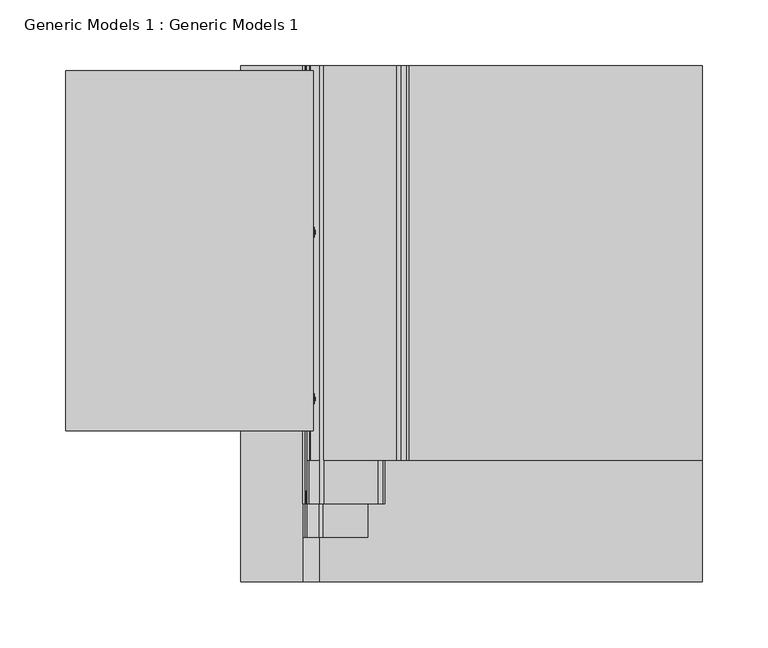
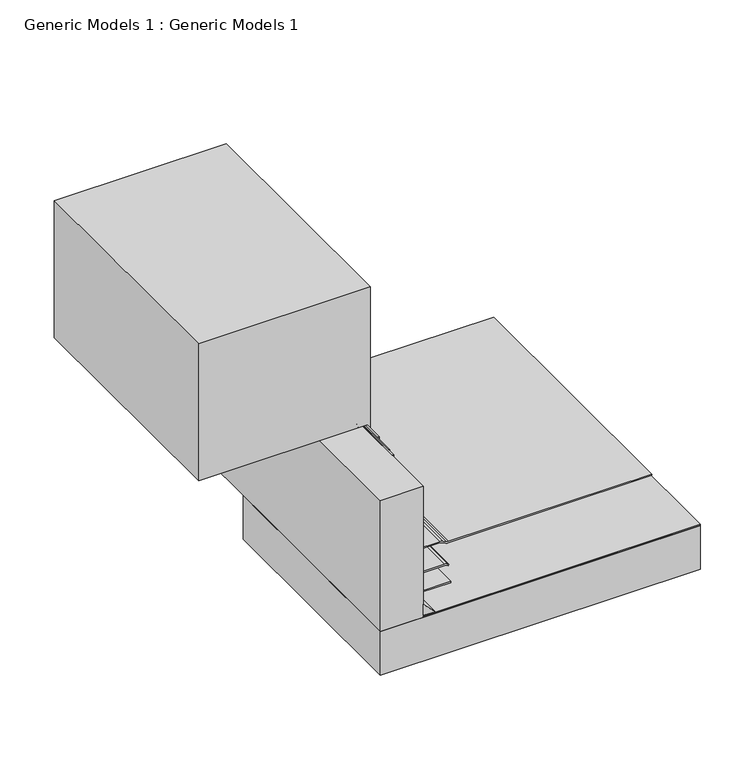
"""IFC4 building model written with IfcOpenShell, lengths in millimetres: proxy geometry, Generic Models 1 : Generic Models 1."""

import ifcopenshell
import ifcopenshell.guid

model = None  # the IFC model being written
_history = None  # IfcOwnerHistory: only IFC2X3 demands one
_inside = {}  # id of a spatial element -> (the spatial element, [elements in it])
_under = {}  # id of a project, library or spatial element -> (it, [spatial elements below it])
_declared = {}  # id of a project -> (the project, [libraries it declares])
_typed = {}  # id of a type object -> (the type object, [elements of that type])
_made_of = {}  # id of a material, layer set ... -> (it, [elements and type objects made of it])


def new_model(schema):
    """Start an empty IFC model of exactly this schema.

    Asked for "IFC4X3", IfcOpenShell would pick the latest addendum, in which some entities
    have other attributes; the version numbers below select the first issue.
    IFC2X3 requires an IfcOwnerHistory on every rooted entity: one is made here for all.
    """
    global model, _history
    if schema == "IFC4X3":
        model = ifcopenshell.file(schema_version=(4, 3, 0, 0))
    else:
        model = ifcopenshell.file(schema=schema)
    _inside.clear()
    _under.clear()
    _declared.clear()
    _typed.clear()
    _made_of.clear()
    _history = None
    if model.schema == "IFC2X3":
        org = make("IfcOrganization", Name="unknown")
        user = make(
            "IfcPersonAndOrganization",
            ThePerson=make("IfcPerson", FamilyName="unknown"),
            TheOrganization=org,
        )
        app = make(
            "IfcApplication",
            ApplicationDeveloper=org,
            Version="unknown",
            ApplicationFullName="unknown",
            ApplicationIdentifier="unknown",
        )
        _history = make(
            "IfcOwnerHistory",
            OwningUser=user,
            OwningApplication=app,
            ChangeAction="ADDED",
            CreationDate=0,
        )
    return model


def make(cls, **values):
    """One entity of the class cls with the attributes given. An attribute that is None is left unset."""
    return model.create_entity(
        cls, **{name: value for name, value in values.items() if value is not None}
    )


def rooted(cls, **values):
    """An entity with a GlobalId (a new one), such as an element, a storey or a relation."""
    return make(cls, GlobalId=ifcopenshell.guid.new(), OwnerHistory=_history, **values)


def si_unit(unit_type, name, prefix=None):
    """IfcSIUnit, for example si_unit("LENGTHUNIT", "METRE", prefix="MILLI")."""
    return make("IfcSIUnit", UnitType=unit_type, Prefix=prefix, Name=name)


def assignment(units):
    """IfcUnitAssignment: the units of a project."""
    return None if units is None else make("IfcUnitAssignment", Units=units)


def point(xyz):
    """IfcCartesianPoint."""
    return None if xyz is None else make("IfcCartesianPoint", Coordinates=xyz)


def direction(xyz):
    """IfcDirection."""
    return None if xyz is None else make("IfcDirection", DirectionRatios=xyz)


def frame(location, z_axis=None, x_axis=None):
    """IfcAxis2Placement3D, a coordinate frame: its origin and axes. An axis left out is left unset."""
    return make(
        "IfcAxis2Placement3D",
        Location=point(location),
        Axis=direction(z_axis),
        RefDirection=direction(x_axis),
    )


def frame_2d(location, x_axis=None):
    """IfcAxis2Placement2D, a coordinate frame in the plane: its origin and x axis."""
    return make(
        "IfcAxis2Placement2D", Location=point(location), RefDirection=direction(x_axis)
    )


def origin():
    """The frame at (0, 0, 0) with its axes left unset."""
    return frame((0.0, 0.0, 0.0))


def place(relative_to, where):
    """IfcLocalPlacement: puts the frame where relative to a parent placement (None: the world)."""
    return make(
        "IfcLocalPlacement", PlacementRelTo=relative_to, RelativePlacement=where
    )


def context(
    kind, dimensions, precision=None, world=None, true_north=None, identifier=None
):
    """IfcGeometricRepresentationContext, for example the 3D "Model" context."""
    return make(
        "IfcGeometricRepresentationContext",
        ContextIdentifier=identifier,
        ContextType=kind,
        CoordinateSpaceDimension=dimensions,
        Precision=precision,
        WorldCoordinateSystem=world,
        TrueNorth=true_north,
    )


def project(units=None, contexts=None):
    """IfcProject with its units and contexts."""
    return rooted(
        "IfcProject",
        Name="project",
        RepresentationContexts=contexts,
        UnitsInContext=assignment(units),
    )


def spatial(cls, under=None, at=None, **own):
    """A site, building, storey or space (cls), placed at a placement, below another one or the project."""
    s = rooted(cls, ObjectPlacement=at, **own)
    if under is not None:
        _under.setdefault(under.id(), (under, []))[1].append(s)
    return s


def polyline(points):
    """IfcPolyline through the points."""
    return make("IfcPolyline", Points=[point(p) for p in points])


def circle_curve(where, radius):
    """IfcCircle in the frame where."""
    return make("IfcCircle", Position=where, Radius=radius)


def trimmed(basis, trim1, trim2, sense, master):
    """IfcTrimmedCurve: the piece of a basis curve between two trims."""
    return make(
        "IfcTrimmedCurve",
        BasisCurve=basis,
        Trim1=trim1,
        Trim2=trim2,
        SenseAgreement=sense,
        MasterRepresentation=master,
    )


def segment(curve, same_sense, transition):
    """IfcCompositeCurveSegment."""
    return make(
        "IfcCompositeCurveSegment",
        Transition=transition,
        SameSense=same_sense,
        ParentCurve=curve,
    )


def composite_curve(segments, self_intersect=None):
    """IfcCompositeCurve: segments joined end to end."""
    return make("IfcCompositeCurve", Segments=segments, SelfIntersect=self_intersect)


def outline(outer, holes=None, kind="AREA"):
    """IfcArbitraryClosedProfileDef: a profile drawn as a closed curve; with holes, ...WithVoids."""
    if holes is None:
        return make("IfcArbitraryClosedProfileDef", ProfileType=kind, OuterCurve=outer)
    return make(
        "IfcArbitraryProfileDefWithVoids",
        ProfileType=kind,
        OuterCurve=outer,
        InnerCurves=holes,
    )


def extrude(swept, where, along, depth):
    """IfcExtrudedAreaSolid: the profile swept, set in the frame where, extruded along a direction by depth."""
    return make(
        "IfcExtrudedAreaSolid",
        SweptArea=swept,
        Position=where,
        ExtrudedDirection=direction(along),
        Depth=depth,
    )


def shape(context_of_items, identifier, shape_type, items):
    """IfcShapeRepresentation: the items that make up one representation, for example the "Body"."""
    return make(
        "IfcShapeRepresentation",
        ContextOfItems=context_of_items,
        RepresentationIdentifier=identifier,
        RepresentationType=shape_type,
        Items=items,
    )


def source(mapping_origin, context_of_items, identifier, shape_type, items):
    """IfcRepresentationMap: a shape defined once, which mapped items show again and again."""
    return make(
        "IfcRepresentationMap",
        MappingOrigin=mapping_origin,
        MappedRepresentation=shape(context_of_items, identifier, shape_type, items),
    )


def transform(
    local_origin,
    x_axis=None,
    y_axis=None,
    z_axis=None,
    scale=None,
    scale2=None,
    scale3=None,
    uniform=True,
):
    """IfcCartesianTransformationOperator3D, or its non-uniform kind. x_axis, y_axis, z_axis: its Axis1, 2, 3."""
    if uniform:
        return make(
            "IfcCartesianTransformationOperator3D",
            Axis1=direction(x_axis),
            Axis2=direction(y_axis),
            LocalOrigin=point(local_origin),
            Scale=scale,
            Axis3=direction(z_axis),
        )
    return make(
        "IfcCartesianTransformationOperator3DnonUniform",
        Axis1=direction(x_axis),
        Axis2=direction(y_axis),
        LocalOrigin=point(local_origin),
        Scale=scale,
        Axis3=direction(z_axis),
        Scale2=scale2,
        Scale3=scale3,
    )


def mapped(mapping_source, mapping_target):
    """IfcMappedItem: shows the shape of a source again, moved by a transform."""
    return make(
        "IfcMappedItem", MappingSource=mapping_source, MappingTarget=mapping_target
    )


def made_of(thing, what):
    """Note that an element or type object is made of a material, layer set ...; save() writes the relation."""
    if what is not None:
        _made_of.setdefault(what.id(), (what, []))[1].append(thing)
    return thing


def element(
    cls,
    number,
    at=None,
    inside=None,
    cuts=None,
    type_object=None,
    material=None,
    context=None,
    identifier="Body",
    shape_type=None,
    held_by="IfcProductDefinitionShape",
    body=None,
    shapes=None,
    **own,
):
    """One element of the class cls, such as IfcWall. Its Tag is "e" and its number.

    at: its placement. inside: the storey or other place that contains it. cuts: it is an
    opening in that element (IfcRelVoidsElement). A single representation is given by context,
    identifier, shape_type and body (its items); several are given by shapes. held_by: the class
    of the entity that holds the representations. save() writes the other relations.
    """
    e = rooted(cls, Tag="e%d" % number, ObjectPlacement=at, **own)
    if body is not None:
        shapes = [shape(context, identifier, shape_type, body)]
    if shapes is not None:
        e.Representation = make(held_by, Representations=shapes)
    if inside is not None:
        _inside.setdefault(inside.id(), (inside, []))[1].append(e)
    if cuts is not None:
        rooted(
            "IfcRelVoidsElement", RelatingBuildingElement=cuts, RelatedOpeningElement=e
        )
    if type_object is not None:
        _typed.setdefault(type_object.id(), (type_object, []))[1].append(e)
    return made_of(e, material)


def aggregate(whole, parts):
    """IfcRelAggregates: a whole, such as a stair, and the parts it consists of."""
    return rooted("IfcRelAggregates", RelatingObject=whole, RelatedObjects=parts)


def save(model, path):
    """Write the relations noted so far, then the file.

    IfcRelAggregates (storeys below a building ...), IfcRelContainedInSpatialStructure (elements
    in a storey), IfcRelDefinesByType, IfcRelAssociatesMaterial and IfcRelDeclares: one each for
    every whole, place, type object, material and project.
    """
    for whole, parts in _under.values():
        aggregate(whole, parts)
    for where, things in _inside.values():
        rooted(
            "IfcRelContainedInSpatialStructure",
            RelatedElements=things,
            RelatingStructure=where,
        )
    for kind, things in _typed.values():
        rooted("IfcRelDefinesByType", RelatedObjects=things, RelatingType=kind)
    for what, things in _made_of.values():
        rooted("IfcRelAssociatesMaterial", RelatedObjects=things, RelatingMaterial=what)
    for by, libraries in _declared.values():
        rooted("IfcRelDeclares", RelatingContext=by, RelatedDefinitions=libraries)
    model.write(path)


def plane_surface(at):
    """IfcPlane: the flat surface through the origin of the frame at, square to its z axis."""
    return make("IfcPlane", Position=at)


def cylinder_surface(at, radius):
    """IfcCylindricalSurface: all points at the distance radius from the z axis of the frame at."""
    return make("IfcCylindricalSurface", Position=at, Radius=radius)


def revolved_surface(curve, axis_point, axis_direction):
    """IfcSurfaceOfRevolution: the curve turned about the line through axis_point along axis_direction."""
    return make(
        "IfcSurfaceOfRevolution",
        SweptCurve=make("IfcArbitraryOpenProfileDef", ProfileType="CURVE", Curve=curve),
        AxisPosition=make("IfcAxis1Placement", Location=point(axis_point), Axis=direction(axis_direction)),
    )


def advanced_brep(points, edges, surfaces, faces):
    """IfcAdvancedBrep: a solid bounded by faces that lie on surfaces and meet in shared edges.

    An edge is (start, end): straight between two places in points (the first is 0);
    or (start, end, curve); or (start, end, curve, False) where it runs against its curve.
    A face is (place in surfaces, loops), or (place, loops, False) where it looks against
    its surface's normal. A loop lists edges by number (the first is 1), with a minus sign
    where the edge is run from its end to its start. The first loop is the outer one.
    """
    corners = [point(p) for p in points]
    vertices = [make("IfcVertexPoint", VertexGeometry=c) for c in corners]
    made = []
    for start, end, *more in edges:
        made.append(
            make(
                "IfcEdgeCurve",
                EdgeStart=vertices[start],
                EdgeEnd=vertices[end],
                EdgeGeometry=more[0] if more else make("IfcPolyline", Points=[corners[start], corners[end]]),
                SameSense=more[1] if len(more) > 1 else True,
            )
        )
    hull = []
    for where, loops, *sense in faces:
        bounds = []
        for j, loop in enumerate(loops):
            ring = [make("IfcOrientedEdge", EdgeElement=made[abs(k) - 1], Orientation=k > 0) for k in loop]
            bounds.append(
                make(
                    "IfcFaceOuterBound" if j == 0 else "IfcFaceBound",
                    Bound=make("IfcEdgeLoop", EdgeList=ring),
                    Orientation=True,
                )
            )
        hull.append(make("IfcAdvancedFace", Bounds=bounds, FaceSurface=surfaces[where], SameSense=sense[0] if sense else True))
    return make("IfcAdvancedBrep", Outer=make("IfcClosedShell", CfsFaces=hull))


def generic_models_1_generic_models_1_2f75fb19(model_context):
    return source(origin(), model_context, "Body", "SolidModel", [
        extrude(outline(polyline([(340.51875, 87.3125), (310.5791141, 87.3125), (310.5791141, 90.4513986), (499.9960988, 90.4513986), (499.9960988, -98.425), (340.51875, -98.425), (340.51875, 87.3125)])), frame((0.0, 115.2679192, 0.0), z_axis=(0.0, 1.0, 0.0), x_axis=(0.0, 0.0, 1.0)), (0.0, 0.0, 1.0), 274.739507),
        extrude(outline(composite_curve([segment(trimmed(circle_curve(frame_2d((339.725, 84.93125)), 0.79375), [point((339.725, 85.725))], [point((339.725, 84.1375))], False, "CARTESIAN"), True, "CONTINUOUS"), segment(polyline([(339.725, 84.1375), (314.5968614, 84.1375)]), True, "CONTINUOUS"), segment(trimmed(circle_curve(frame_2d((314.5968614, 84.93125)), 0.79375), [point((314.5968614, 84.1375))], [point((314.5968614, 85.725))], False, "CARTESIAN"), True, "CONTINUOUS"), segment(polyline([(314.5968614, 85.725), (339.725, 85.725)]), True, "CONTINUOUS")], self_intersect=False)), frame((0.0, 69.4715508, 0.0), z_axis=(0.0, 1.0, 0.0), x_axis=(0.0, 0.0, 1.0)), (0.0, 0.0, 1.0), 235.3284492),
        extrude(outline(composite_curve([segment(polyline([(340.51875, 87.3125), (340.51875, 85.725), (274.6141889, 85.725)]), True, "CONTINUOUS"), segment(trimmed(circle_curve(frame_2d((274.6141889, 90.4875)), 4.7625), [point((274.6141889, 85.725))], [point((271.2465929, 87.119904))], False, "CARTESIAN"), True, "CONTINUOUS"), segment(polyline([(271.2465929, 87.119904), (264.2936627, 94.0728341), (265.4161947, 95.1953662), (272.3691249, 88.242436)]), True, "CONTINUOUS"), segment(trimmed(circle_curve(frame_2d((274.6141889, 90.4875)), 3.175), [point((272.3691249, 88.242436))], [point((274.6141889, 87.3125))], True, "CARTESIAN"), True, "CONTINUOUS"), segment(polyline([(274.6141889, 87.3125), (340.51875, 87.3125)]), True, "CONTINUOUS")], self_intersect=False)), frame((0.0, 92.6863112, 0.0), z_axis=(0.0, 1.0, 0.0), x_axis=(0.0, 0.0, 1.0)), (0.0, 0.0, 1.0), 301.1606278),
        advanced_brep(
        [(78.0547052, 266.7, 325.464534), (78.0547052, 266.7, 326.5091177), (75.0926407, 266.7, 325.9868258), (90.4875, 266.7, 325.464534), (90.4875, 266.7, 326.5091177), (90.4875, 266.7, 322.2980716), (90.4875, 266.7, 329.6755801), (91.2790658, 266.7, 322.2980716), (91.2790658, 266.7, 329.6755801), (91.2790658, 266.7, 324.6059786), (91.2790658, 266.7, 327.3676731), (92.0888577, 266.7, 324.6059786), (92.0888577, 266.7, 327.3676731), (92.0888577, 266.7, 325.9868258)],
        [
            (0, 1, circle_curve(frame((78.0547052, 266.7, 325.9868258), z_axis=(-1.0, 0.0, 0.0), x_axis=(0.0, 0.0, 1.0)), 0.5222919)),
            (1, 2),
            (2, 0),
            (1, 0, circle_curve(frame((78.0547052, 266.7, 325.9868258), z_axis=(-1.0, 0.0, 0.0), x_axis=(0.0, 0.0, 1.0)), 0.5222919)),
            (3, 4, circle_curve(frame((90.4875, 266.7, 325.9868258), z_axis=(-1.0, 0.0, 0.0), x_axis=(0.0, 0.0, 1.0)), 0.5222919)),
            (4, 1),
            (0, 3),
            (4, 3, circle_curve(frame((90.4875, 266.7, 325.9868258), z_axis=(-1.0, 0.0, 0.0), x_axis=(0.0, 0.0, 1.0)), 0.5222919)),
            (5, 6, circle_curve(frame((90.4875, 266.7, 325.9868258), z_axis=(-1.0, 0.0, 0.0), x_axis=(0.0, 0.0, 1.0)), 3.6887543)),
            (6, 4),
            (3, 5),
            (6, 5, circle_curve(frame((90.4875, 266.7, 325.9868258), z_axis=(-1.0, 0.0, 0.0), x_axis=(0.0, 0.0, 1.0)), 3.6887543)),
            (7, 8, circle_curve(frame((91.2790658, 266.7, 325.9868258), z_axis=(-1.0, 0.0, 0.0), x_axis=(0.0, 0.0, 1.0)), 3.6887543)),
            (8, 6),
            (5, 7),
            (8, 7, circle_curve(frame((91.2790658, 266.7, 325.9868258), z_axis=(-1.0, 0.0, 0.0), x_axis=(0.0, 0.0, 1.0)), 3.6887543)),
            (9, 10, circle_curve(frame((91.2790658, 266.7, 325.9868258), z_axis=(-1.0, 0.0, 0.0), x_axis=(0.0, 0.0, 1.0)), 1.3808472)),
            (10, 8),
            (7, 9),
            (10, 9, circle_curve(frame((91.2790658, 266.7, 325.9868258), z_axis=(-1.0, 0.0, 0.0), x_axis=(0.0, 0.0, 1.0)), 1.3808472)),
            (11, 12, circle_curve(frame((92.0888577, 266.7, 325.9868258), z_axis=(-1.0, 0.0, 0.0), x_axis=(0.0, 0.0, 1.0)), 1.3808472)),
            (12, 10),
            (9, 11),
            (12, 11, circle_curve(frame((92.0888577, 266.7, 325.9868258), z_axis=(-1.0, 0.0, 0.0), x_axis=(0.0, 0.0, 1.0)), 1.3808472)),
            (13, 12),
            (11, 13),
        ],
        [
            revolved_surface(polyline([(75.0926407, 266.7, 325.9868258), (78.0547052, 266.7, 326.5091177)]), (92.0888577, 266.7, 325.9868258), (1.0, 0.0, 0.0)),
            cylinder_surface(frame((92.0888577, 266.7, 325.9868258), z_axis=(1.0, 0.0, 0.0), x_axis=(0.0, 0.0, 1.0)), 0.5222919),
            plane_surface(frame((90.4875, 266.7, 325.9868258), z_axis=(-1.0, 0.0, 0.0), x_axis=(0.0, 0.0, 1.0))),
            cylinder_surface(frame((92.0888577, 266.7, 325.9868258), z_axis=(1.0, 0.0, 0.0), x_axis=(0.0, 0.0, 1.0)), 3.6887543),
            plane_surface(frame((91.2790658, 266.7, 325.9868258), z_axis=(1.0, 0.0, 0.0), x_axis=(0.0, 0.0, 1.0))),
            cylinder_surface(frame((92.0888577, 266.7, 325.9868258), z_axis=(1.0, 0.0, 0.0), x_axis=(0.0, 0.0, 1.0)), 1.3808472),
            plane_surface(frame((92.0888577, 266.7, 325.9868258), z_axis=(1.0, 0.0, 0.0), x_axis=(0.0, 0.0, 1.0))),
        ],
        [
            (0, [[1, 2, 3]]),
            (0, [[4, -3, -2]]),
            (1, [[5, 6, -1, 7]]),
            (1, [[8, -7, -4, -6]]),
            (2, [[9, 10, -5, 11]]),
            (2, [[12, -11, -8, -10]]),
            (3, [[13, 14, -9, 15]]),
            (3, [[16, -15, -12, -14]]),
            (4, [[17, 18, -13, 19]]),
            (4, [[20, -19, -16, -18]]),
            (5, [[21, 22, -17, 23]]),
            (5, [[24, -23, -20, -22]]),
            (6, [[25, -21, 26]]),
            (6, [[-26, -24, -25]]),
        ],
    ),
        advanced_brep(
        [(78.0547052, 139.7, 325.464534), (78.0547052, 139.7, 326.5091177), (75.0926407, 139.7, 325.9868258), (90.4875, 139.7, 325.464534), (90.4875, 139.7, 326.5091177), (90.4875, 139.7, 322.2980716), (90.4875, 139.7, 329.6755801), (91.2790658, 139.7, 322.2980716), (91.2790658, 139.7, 329.6755801), (91.2790658, 139.7, 324.6059786), (91.2790658, 139.7, 327.3676731), (92.0888577, 139.7, 324.6059786), (92.0888577, 139.7, 327.3676731), (92.0888577, 139.7, 325.9868258)],
        [
            (0, 1, circle_curve(frame((78.0547052, 139.7, 325.9868258), z_axis=(-1.0, 0.0, 0.0), x_axis=(0.0, 0.0, 1.0)), 0.5222919)),
            (1, 2),
            (2, 0),
            (1, 0, circle_curve(frame((78.0547052, 139.7, 325.9868258), z_axis=(-1.0, 0.0, 0.0), x_axis=(0.0, 0.0, 1.0)), 0.5222919)),
            (3, 4, circle_curve(frame((90.4875, 139.7, 325.9868258), z_axis=(-1.0, 0.0, 0.0), x_axis=(0.0, 0.0, 1.0)), 0.5222919)),
            (4, 1),
            (0, 3),
            (4, 3, circle_curve(frame((90.4875, 139.7, 325.9868258), z_axis=(-1.0, 0.0, 0.0), x_axis=(0.0, 0.0, 1.0)), 0.5222919)),
            (5, 6, circle_curve(frame((90.4875, 139.7, 325.9868258), z_axis=(-1.0, 0.0, 0.0), x_axis=(0.0, 0.0, 1.0)), 3.6887543)),
            (6, 4),
            (3, 5),
            (6, 5, circle_curve(frame((90.4875, 139.7, 325.9868258), z_axis=(-1.0, 0.0, 0.0), x_axis=(0.0, 0.0, 1.0)), 3.6887543)),
            (7, 8, circle_curve(frame((91.2790658, 139.7, 325.9868258), z_axis=(-1.0, 0.0, 0.0), x_axis=(0.0, 0.0, 1.0)), 3.6887543)),
            (8, 6),
            (5, 7),
            (8, 7, circle_curve(frame((91.2790658, 139.7, 325.9868258), z_axis=(-1.0, 0.0, 0.0), x_axis=(0.0, 0.0, 1.0)), 3.6887543)),
            (9, 10, circle_curve(frame((91.2790658, 139.7, 325.9868258), z_axis=(-1.0, 0.0, 0.0), x_axis=(0.0, 0.0, 1.0)), 1.3808472)),
            (10, 8),
            (7, 9),
            (10, 9, circle_curve(frame((91.2790658, 139.7, 325.9868258), z_axis=(-1.0, 0.0, 0.0), x_axis=(0.0, 0.0, 1.0)), 1.3808472)),
            (11, 12, circle_curve(frame((92.0888577, 139.7, 325.9868258), z_axis=(-1.0, 0.0, 0.0), x_axis=(0.0, 0.0, 1.0)), 1.3808472)),
            (12, 10),
            (9, 11),
            (12, 11, circle_curve(frame((92.0888577, 139.7, 325.9868258), z_axis=(-1.0, 0.0, 0.0), x_axis=(0.0, 0.0, 1.0)), 1.3808472)),
            (13, 12),
            (11, 13),
        ],
        [
            revolved_surface(polyline([(75.0926407, 139.7, 325.9868258), (78.0547052, 139.7, 326.5091177)]), (92.0888577, 139.7, 325.9868258), (1.0, 0.0, 0.0)),
            cylinder_surface(frame((92.0888577, 139.7, 325.9868258), z_axis=(1.0, 0.0, 0.0), x_axis=(0.0, 0.0, 1.0)), 0.5222919),
            plane_surface(frame((90.4875, 139.7, 325.9868258), z_axis=(-1.0, 0.0, 0.0), x_axis=(0.0, 0.0, 1.0))),
            cylinder_surface(frame((92.0888577, 139.7, 325.9868258), z_axis=(1.0, 0.0, 0.0), x_axis=(0.0, 0.0, 1.0)), 3.6887543),
            plane_surface(frame((91.2790658, 139.7, 325.9868258), z_axis=(1.0, 0.0, 0.0), x_axis=(0.0, 0.0, 1.0))),
            cylinder_surface(frame((92.0888577, 139.7, 325.9868258), z_axis=(1.0, 0.0, 0.0), x_axis=(0.0, 0.0, 1.0)), 1.3808472),
            plane_surface(frame((92.0888577, 139.7, 325.9868258), z_axis=(1.0, 0.0, 0.0), x_axis=(0.0, 0.0, 1.0))),
        ],
        [
            (0, [[1, 2, 3]]),
            (0, [[4, -3, -2]]),
            (1, [[5, 6, -1, 7]]),
            (1, [[8, -7, -4, -6]]),
            (2, [[9, 10, -5, 11]]),
            (2, [[12, -11, -8, -10]]),
            (3, [[13, 14, -9, 15]]),
            (3, [[16, -15, -12, -14]]),
            (4, [[17, 18, -13, 19]]),
            (4, [[20, -19, -16, -18]]),
            (5, [[21, 22, -17, 23]]),
            (5, [[24, -23, -20, -22]]),
            (6, [[25, -21, 26]]),
            (6, [[-26, -24, -25]]),
        ],
    ),
        extrude(outline(polyline([(82.55, 393.8469389), (387.35, 393.8469389), (387.35, 0.0), (82.55, 0.0), (82.55, 393.8469389)])), frame((0.0, 0.0, 188.9125), z_axis=(0.0, 0.0, 1.0), x_axis=(1.0, 0.0, 0.0)), (0.0, 0.0, 1.0), 0.79375),
        extrude(outline(composite_curve([segment(trimmed(circle_curve(frame_2d((187.325, 153.7084294)), 6.35), [point((193.675, 153.7084294))], [point((193.0800544, 156.3920554))], True, "CARTESIAN"), True, "CONTINUOUS"), segment(polyline([(193.0800544, 156.3920554), (191.0949456, 160.6491351)]), True, "CONTINUOUS"), segment(trimmed(circle_curve(frame_2d((196.85, 163.3327611)), 6.35), [point((191.0949456, 160.6491351))], [point((190.5, 163.3327611))], False, "CARTESIAN"), True, "CONTINUOUS"), segment(polyline([(190.5, 163.3327611), (190.5, 387.35), (192.0875, 387.35), (192.0875, 163.3327611)]), True, "CONTINUOUS"), segment(trimmed(circle_curve(frame_2d((196.85, 163.3327611)), 4.7625), [point((192.0875, 163.3327611))], [point((192.5337092, 161.3200416))], True, "CARTESIAN"), True, "CONTINUOUS"), segment(polyline([(192.5337092, 161.3200416), (194.5188181, 157.0629619)]), True, "CONTINUOUS"), segment(trimmed(circle_curve(frame_2d((187.325, 153.7084294)), 7.9375), [point((194.5188181, 157.0629619))], [point((195.2625, 153.7084294))], False, "CARTESIAN"), True, "CONTINUOUS"), segment(polyline([(195.2625, 153.7084294), (195.2625, 98.5378202), (193.675, 98.5378202), (193.675, 153.7084294)]), True, "CONTINUOUS")], self_intersect=False)), frame((0.0, 92.6863112, 0.0), z_axis=(0.0, 1.0, 0.0), x_axis=(0.0, 0.0, 1.0)), (0.0, 0.0, 1.0), 301.1606278),
        extrude(outline(composite_curve([segment(polyline([(340.51875, 84.1375), (340.51875, 82.55), (236.8806049, 82.55)]), True, "CONTINUOUS"), segment(trimmed(circle_curve(frame_2d((236.8806049, 88.9)), 6.35), [point((236.8806049, 82.55))], [point((233.8064244, 83.34375))], False, "CARTESIAN"), True, "CONTINUOUS"), segment(trimmed(circle_curve(frame_2d((230.7322439, 77.7875)), 6.35), [point((233.8064244, 83.34375))], [point((230.7322439, 84.1375))], True, "CARTESIAN"), True, "CONTINUOUS"), segment(polyline([(230.7322439, 84.1375), (206.4878202, 84.1375)]), True, "CONTINUOUS"), segment(trimmed(circle_curve(frame_2d((206.4878202, 90.4875)), 6.35), [point((206.4878202, 84.1375))], [point((201.9976921, 85.9973719))], False, "CARTESIAN"), True, "CONTINUOUS"), segment(polyline([(201.9976921, 85.9973719), (193.9473719, 94.0476921)]), True, "CONTINUOUS"), segment(trimmed(circle_curve(frame_2d((198.4375, 98.5378202)), 6.35), [point((193.9473719, 94.0476921))], [point((192.0875, 98.5378202))], False, "CARTESIAN"), True, "CONTINUOUS"), segment(polyline([(192.0875, 98.5378202), (192.0875, 139.6852414)]), True, "CONTINUOUS"), segment(trimmed(circle_curve(frame_2d((185.7375, 139.6852414)), 6.35), [point((192.0875, 139.6852414))], [point((191.2367613, 142.8602414))], True, "CARTESIAN"), True, "CONTINUOUS"), segment(polyline([(191.2367613, 142.8602414), (190.5, 144.1363494), (191.8748153, 144.9300994), (192.6115766, 143.6539914)]), True, "CONTINUOUS"), segment(trimmed(circle_curve(frame_2d((185.7375, 139.6852414)), 7.9375), [point((192.6115766, 143.6539914))], [point((193.675, 139.6852414))], False, "CARTESIAN"), True, "CONTINUOUS"), segment(polyline([(193.675, 139.6852414), (193.675, 98.5378202)]), True, "CONTINUOUS"), segment(trimmed(circle_curve(frame_2d((198.4375, 98.5378202)), 4.7625), [point((193.675, 98.5378202))], [point((195.069904, 95.1702241))], True, "CARTESIAN"), True, "CONTINUOUS"), segment(polyline([(195.069904, 95.1702241), (203.1202241, 87.119904)]), True, "CONTINUOUS"), segment(trimmed(circle_curve(frame_2d((206.4878202, 90.4875)), 4.7625), [point((203.1202241, 87.119904))], [point((206.4878202, 85.725))], True, "CARTESIAN"), True, "CONTINUOUS"), segment(polyline([(206.4878202, 85.725), (230.7322439, 85.725)]), True, "CONTINUOUS"), segment(trimmed(circle_curve(frame_2d((230.7322439, 77.7875)), 7.9375), [point((230.7322439, 85.725))], [point((234.5749695, 84.7328125))], False, "CARTESIAN"), True, "CONTINUOUS"), segment(trimmed(circle_curve(frame_2d((236.8806049, 88.9)), 4.7625), [point((234.5749695, 84.7328125))], [point((236.8806049, 84.1375))], True, "CARTESIAN"), True, "CONTINUOUS"), segment(polyline([(236.8806049, 84.1375), (340.51875, 84.1375)]), True, "CONTINUOUS")], self_intersect=False)), frame((0.0, 59.8326116, 0.0), z_axis=(0.0, 1.0, 0.0), x_axis=(0.0, 0.0, 1.0)), (0.0, 0.0, 1.0), 334.0143273),
        extrude(outline(composite_curve([segment(trimmed(circle_curve(frame_2d((205.8302561, 88.9)), 6.35), [point((205.8302561, 82.55))], [point((201.3401281, 84.4098719))], False, "CARTESIAN"), True, "CONTINUOUS"), segment(polyline([(201.3401281, 84.4098719), (192.3598719, 93.3901281)]), True, "CONTINUOUS"), segment(trimmed(circle_curve(frame_2d((196.85, 97.8802561)), 6.35), [point((192.3598719, 93.3901281))], [point((190.5, 97.8802561))], False, "CARTESIAN"), True, "CONTINUOUS"), segment(polyline([(190.5, 97.8802561), (190.5, 132.159375), (192.0875, 132.159375), (192.0875, 97.8802561)]), True, "CONTINUOUS"), segment(trimmed(circle_curve(frame_2d((196.85, 97.8802561)), 4.7625), [point((192.0875, 97.8802561))], [point((193.482404, 94.5126601))], True, "CARTESIAN"), True, "CONTINUOUS"), segment(polyline([(193.482404, 94.5126601), (202.4626601, 85.532404)]), True, "CONTINUOUS"), segment(trimmed(circle_curve(frame_2d((205.8302561, 88.9)), 4.7625), [point((202.4626601, 85.532404))], [point((205.8302561, 84.1375))], True, "CARTESIAN"), True, "CONTINUOUS"), segment(polyline([(205.8302561, 84.1375), (228.6, 84.1375), (228.6, 82.55), (205.8302561, 82.55)]), True, "CONTINUOUS")], self_intersect=False)), frame((0.0, 34.1351637, 0.0), z_axis=(0.0, 1.0, 0.0), x_axis=(0.0, 0.0, 1.0)), (0.0, 0.0, 1.0), 359.7117752),
        extrude(outline(polyline([(203.2, 82.55), (190.5, 82.55), (190.5, 95.25), (203.2, 82.55)])), frame((0.0, 0.0, 0.0), z_axis=(0.0, 1.0, 0.0), x_axis=(0.0, 0.0, 1.0)), (0.0, 0.0, 1.0), 393.8469389),
        extrude(outline(polyline([(35.0378202, 261.3017557), (387.35, 261.3017557), (387.35, 0.0), (35.0378202, 0.0), (35.0378202, 261.3017557)])), frame((0.0, 0.0, 137.31875), z_axis=(0.0, 0.0, 1.0), x_axis=(1.0, 0.0, 0.0)), (0.0, 0.0, 1.0), 50.8),
        extrude(outline(polyline([(82.55, 0.0), (35.0378202, 0.0), (35.0378202, 393.8469389), (82.55, 393.8469389), (82.55, 0.0)])), frame((0.0, 0.0, 188.11875), z_axis=(0.0, 0.0, 1.0), x_axis=(1.0, 0.0, 0.0)), (0.0, 0.0, 1.0), 152.4),
    ])


if __name__ == "__main__":
    model = new_model("IFC4")
    model_context = context("Model", 3, world=origin())
    ifc_project = project(units=[si_unit("LENGTHUNIT", "METRE", prefix="MILLI")], contexts=[model_context])
    site = spatial("IfcSite", under=ifc_project)
    building = spatial("IfcBuilding", under=site)
    placement = place(None, origin())
    generic_models_1_generic_models_1_shape = generic_models_1_generic_models_1_2f75fb19(model_context)
    element("IfcBuildingElementProxy", 1, Name="Generic Models 1 : Generic Models 1", ObjectType="Generic Models 1 : Generic Models 1", at=placement, inside=building, context=model_context, shape_type="MappedRepresentation", body=[
        mapped(generic_models_1_generic_models_1_shape, transform((0.0, 0.0, 0.0), x_axis=(1.0, 0.0, 0.0), y_axis=(0.0, 1.0, 0.0), z_axis=(0.0, 0.0, 1.0))),
    ])
    save(model, "model.ifc")
